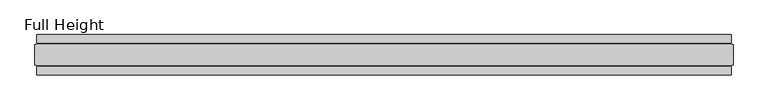
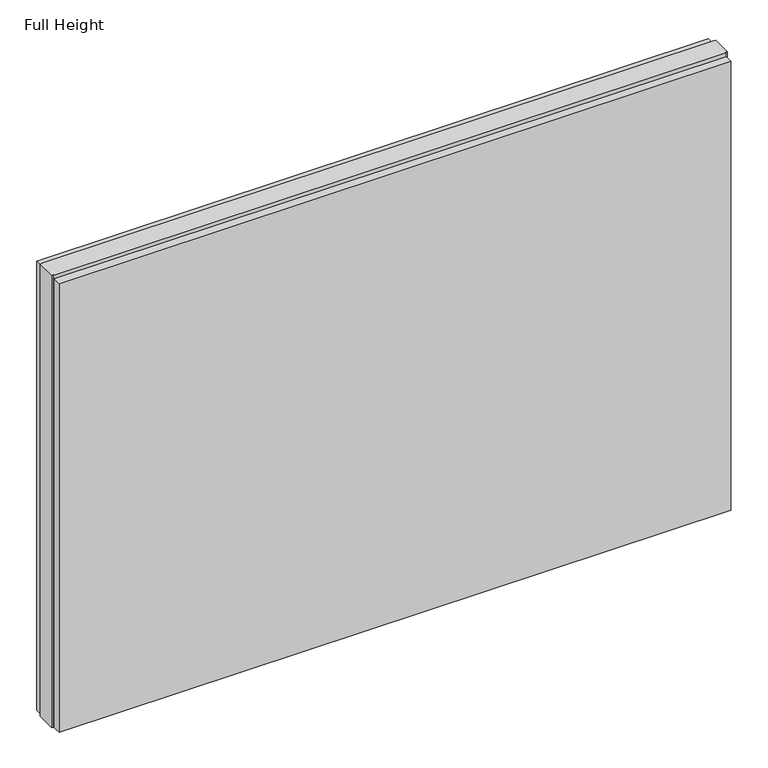
"""IFC4 building model written with IfcOpenShell, lengths in millimetres: plate geometry, Full Height."""

from ifc_helpers import new_model, si_unit, origin, origin_with_axes, place, context, project, spatial, polyline, outline, extrude, source, transform, mapped, element, save


def full_height_e805daf2(model_context):
    return source(origin(), model_context, "Body", "SweptSolid", [
        extrude(outline(polyline([(856.3157595, 28.956), (-856.3157595, 28.956), (-856.3157595, 49.53), (856.3157595, 49.53), (856.3157595, 28.956)])), origin_with_axes(), (0.0, 0.0, 1.0), 1210.056),
        extrude(outline(polyline([(856.3157595, -28.956), (856.3157595, -49.53), (-856.3157595, -49.53), (-856.3157595, -28.956), (856.3157595, -28.956)])), origin_with_axes(), (0.0, 0.0, 1.0), 1210.056),
        extrude(outline(polyline([(856.3157595, -25.146), (856.3157595, -26.67), (-856.3157595, -26.67), (-856.3157595, -25.146), (-860.8877595, -25.146), (-860.8877595, 25.146), (-856.3157595, 25.146), (-856.3157595, 26.67), (856.3157595, 26.67), (856.3157595, 25.146), (860.8877595, 25.146), (860.8877595, -25.146), (856.3157595, -25.146)])), origin_with_axes(), (0.0, 0.0, 1.0), 1219.2),
    ])


if __name__ == "__main__":
    model = new_model("IFC4")
    model_context = context("Model", 3, world=origin())
    ifc_project = project(units=[si_unit("LENGTHUNIT", "METRE", prefix="MILLI")], contexts=[model_context])
    site = spatial("IfcSite", under=ifc_project)
    building = spatial("IfcBuilding", under=site)
    placement = place(None, origin())
    full_height_shape = full_height_e805daf2(model_context)
    element("IfcPlate", 1, ObjectType="Full Height", at=placement, inside=building, context=model_context, shape_type="MappedRepresentation", body=[
        mapped(full_height_shape, transform((0.0, 0.0, 0.0), x_axis=(1.0, 0.0, 0.0), y_axis=(0.0, 1.0, 0.0), z_axis=(0.0, 0.0, 1.0))),
    ])
    save(model, "model.ifc")
